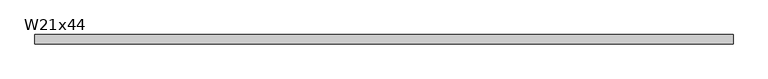
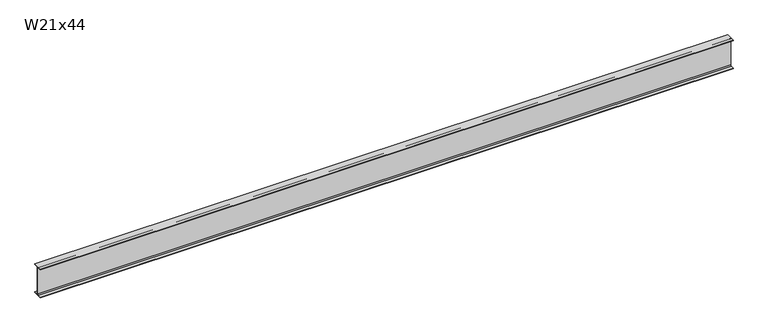
"""IFC4 building model written with IfcOpenShell, lengths in millimetres: beam geometry, W21x44."""

from ifc_helpers import new_model, si_unit, point, frame, frame_2d, origin, place, context, project, spatial, polyline, circle_curve, trimmed, segment, composite_curve, outline, extrude, source, transform, mapped, element, save


def w21x44_3923f8be(model_context):
    return source(origin(), model_context, "Body", "SweptSolid", [
        extrude(outline(composite_curve([segment(polyline([(82.55, -251.46), (82.55, -262.89), (-82.55, -262.89), (-82.55, -251.46), (-21.59, -251.46)]), True, "CONTINUOUS"), segment(trimmed(circle_curve(frame_2d((-21.59, -234.315)), 17.145), [point((-21.59, -251.46))], [point((-4.445, -234.315))], True, "CARTESIAN"), True, "CONTINUOUS"), segment(polyline([(-4.445, -234.315), (-4.445, 234.315)]), True, "CONTINUOUS"), segment(trimmed(circle_curve(frame_2d((-21.59, 234.315)), 17.145), [point((-4.445, 234.315))], [point((-21.59, 251.46))], True, "CARTESIAN"), True, "CONTINUOUS"), segment(polyline([(-21.59, 251.46), (-82.55, 251.46), (-82.55, 262.89), (82.55, 262.89), (82.55, 251.46), (21.59, 251.46)]), True, "CONTINUOUS"), segment(trimmed(circle_curve(frame_2d((21.59, 234.315)), 17.145), [point((21.59, 251.46))], [point((4.445, 234.315))], True, "CARTESIAN"), True, "CONTINUOUS"), segment(polyline([(4.445, 234.315), (4.445, -234.315)]), True, "CONTINUOUS"), segment(trimmed(circle_curve(frame_2d((21.59, -234.315)), 17.145), [point((4.445, -234.315))], [point((21.59, -251.46))], True, "CARTESIAN"), True, "CONTINUOUS"), segment(polyline([(21.59, -251.46), (82.55, -251.46)]), True, "CONTINUOUS")], self_intersect=False)), frame((-6032.373, 0.0, 0.0), z_axis=(1.0, 0.0, 0.0), x_axis=(0.0, 1.0, 0.0)), (0.0, 0.0, 1.0), 12064.746),
    ])


if __name__ == "__main__":
    model = new_model("IFC4")
    model_context = context("Model", 3, world=origin())
    ifc_project = project(units=[si_unit("LENGTHUNIT", "METRE", prefix="MILLI")], contexts=[model_context])
    site = spatial("IfcSite", under=ifc_project)
    building = spatial("IfcBuilding", under=site)
    placement = place(None, origin())
    w21x44_shape = w21x44_3923f8be(model_context)
    element("IfcBeam", 1, ObjectType="W21x44", at=placement, inside=building, context=model_context, shape_type="MappedRepresentation", body=[
        mapped(w21x44_shape, transform((0.0, 0.0, 0.0), x_axis=(1.0, 0.0, 0.0), y_axis=(0.0, 1.0, 0.0), z_axis=(0.0, 0.0, 1.0))),
    ])
    save(model, "model.ifc")
